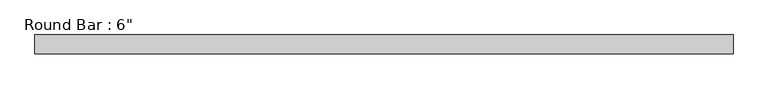
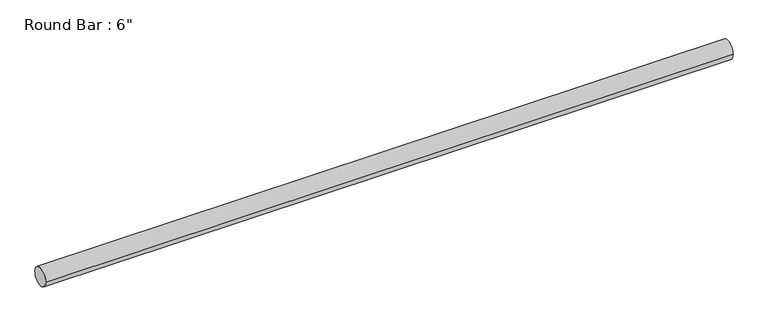
"""IFC4 building model written with IfcOpenShell, lengths in millimetres: beam geometry."""

from ifc_helpers import new_model, si_unit, point, frame, origin, origin_2d, place, context, project, spatial, circle_curve, trimmed, segment, composite_curve, outline, extrude, source, transform, mapped, element, save


def beam_3294442d(model_context):
    return source(origin(), model_context, "Body", "SweptSolid", [
        extrude(outline(composite_curve([segment(trimmed(circle_curve(origin_2d(), 76.2), [point((-76.2, 0.0))], [point((76.2, 0.0))], False, "CARTESIAN"), True, "CONTINUOUS"), segment(trimmed(circle_curve(origin_2d(), 76.2), [point((76.2, 0.0))], [point((-76.2, 0.0))], False, "CARTESIAN"), True, "CONTINUOUS")], self_intersect=False)), frame((-2814.8116494, 0.0, 0.0), z_axis=(1.0, 0.0, 0.0), x_axis=(0.0, 1.0, 0.0)), (0.0, 0.0, 1.0), 5629.6232989),
    ])


if __name__ == "__main__":
    model = new_model("IFC4")
    model_context = context("Model", 3, world=origin())
    ifc_project = project(units=[si_unit("LENGTHUNIT", "METRE", prefix="MILLI")], contexts=[model_context])
    site = spatial("IfcSite", under=ifc_project)
    building = spatial("IfcBuilding", under=site)
    placement = place(None, origin())
    beam_shape = beam_3294442d(model_context)
    element("IfcBeam", 1, ObjectType="Round Bar : 6\"", at=placement, inside=building, context=model_context, shape_type="MappedRepresentation", body=[
        mapped(beam_shape, transform((0.0, 0.0, 0.0), x_axis=(1.0, 0.0, 0.0), y_axis=(0.0, 1.0, 0.0), z_axis=(0.0, 0.0, 1.0))),
    ])
    save(model, "model.ifc")
